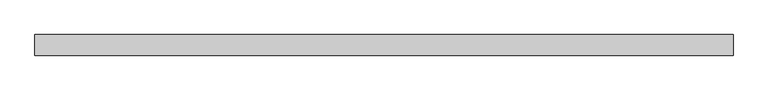
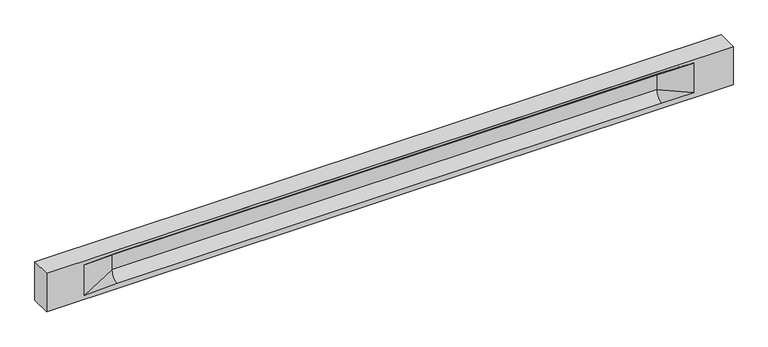
"""IFC4 building model written with IfcOpenShell, lengths in millimetres: beam geometry."""

from ifc_helpers import new_model, si_unit, frame, origin, place, context, project, spatial, polyline, circle_curve, source, transform, mapped, element, save
from ifc_brep_helpers import plane_surface, revolved_surface, spline_surface, advanced_brep


def beam_62c5cb44(model_context):
    return source(origin(), model_context, "Body", "AdvancedBrep", [
        advanced_brep(
        [(8473.0, -250.0, 500.0), (8473.0, -250.0, -500.0), (8473.0, 250.0, -500.0), (8473.0, 250.0, 500.0), (-8473.0, -250.0, 500.0), (-8473.0, -250.0, -500.0), (7498.0, -250.0, -362.0), (6698.0, -250.0, -360.0), (-6743.0, -250.0, -360.0), (-7543.0, -250.0, -400.0), (-7543.0, -250.0, 400.0), (-6743.0, -250.0, 435.0), (6698.0, -250.0, 435.0), (7498.0, -250.0, 400.0), (-8473.0, 250.0, -500.0), (-8473.0, 250.0, 500.0), (7498.0, 250.0, 400.0), (6698.0, 250.0, 435.0), (-6743.0, 250.0, 435.0), (-7543.0, 250.0, 400.0), (-7543.0, 250.0, -400.0), (-6743.0, 250.0, -360.0), (6698.0, 250.0, -360.0), (7498.0, 250.0, -362.0), (6698.0, 155.0, 405.0), (-6743.0, 155.0, 405.0), (6698.0, 60.0, 262.777021), (-6743.0, 60.0, 262.777021), (6698.0, 60.0, -120.0), (-6743.0, 60.0, -120.0), (6698.0, -60.0, -120.0), (-6743.0, -60.0, -120.0), (6698.0, -60.0, 262.777021), (-6743.0, -60.0, 262.777021), (6698.0, -155.0, 405.0), (-6743.0, -155.0, 405.0)],
        [
            (0, 1),
            (1, 2),
            (2, 3),
            (3, 0),
            (0, 4),
            (4, 5),
            (5, 1),
            (6, 7),
            (7, 8),
            (8, 9),
            (9, 10),
            (10, 11),
            (11, 12),
            (12, 13),
            (13, 6),
            (5, 14),
            (14, 2),
            (14, 15),
            (15, 3),
            (16, 17),
            (17, 18),
            (18, 19),
            (19, 20),
            (20, 21),
            (21, 22),
            (22, 23),
            (23, 16),
            (15, 4),
            (17, 24),
            (24, 25),
            (25, 18),
            (24, 26, circle_curve(frame((6698.0, 213.9598725, 262.777021), z_axis=(1.0, 0.0, 0.0), x_axis=(0.0, 1.0, 0.0)), 153.9598725)),
            (26, 27),
            (27, 25, circle_curve(frame((-6743.0, 213.9598725, 262.777021), z_axis=(-1.0, 0.0, 0.0), x_axis=(0.0, 1.0, 0.0)), 153.9598725)),
            (26, 28),
            (28, 29),
            (29, 27),
            (28, 22, circle_curve(frame((6698.0, 306.5789474, -120.0), z_axis=(1.0, 0.0, 0.0), x_axis=(0.0, 1.0, 0.0)), 246.5789474)),
            (21, 29, circle_curve(frame((-6743.0, 306.5789474, -120.0), z_axis=(-1.0, 0.0, 0.0), x_axis=(0.0, 1.0, 0.0)), 246.5789474)),
            (7, 30, circle_curve(frame((6698.0, -306.5789474, -120.0), z_axis=(1.0, 0.0, 0.0), x_axis=(0.0, 1.0, 0.0)), 246.5789474)),
            (30, 31),
            (31, 8, circle_curve(frame((-6743.0, -306.5789474, -120.0), z_axis=(-1.0, 0.0, 0.0), x_axis=(0.0, 1.0, 0.0)), 246.5789474)),
            (30, 32),
            (32, 33),
            (33, 31),
            (32, 34, circle_curve(frame((6698.0, -213.9598725, 262.777021), z_axis=(1.0, 0.0, 0.0), x_axis=(0.0, 1.0, 0.0)), 153.9598725)),
            (34, 35),
            (35, 33, circle_curve(frame((-6743.0, -213.9598725, 262.777021), z_axis=(-1.0, 0.0, 0.0), x_axis=(0.0, 1.0, 0.0)), 153.9598725)),
            (34, 12),
            (11, 35),
            (27, 19),
            (19, 25),
            (10, 35),
            (10, 33),
            (9, 31),
            (20, 29),
            (34, 13),
            (32, 13),
            (30, 6),
            (28, 23),
            (26, 16),
            (24, 16),
        ],
        [
            plane_surface(frame((8473.0, 0.0, 0.0), z_axis=(1.0, 0.0, 0.0), x_axis=(0.0, 0.0, 1.0))),
            plane_surface(frame((8473.0, -250.0, 500.0), z_axis=(0.0, -1.0, 0.0), x_axis=(-1.0, 0.0, 0.0))),
            plane_surface(frame((8473.0, -250.0, -500.0), z_axis=(0.0, 0.0, -1.0), x_axis=(-1.0, 0.0, 0.0))),
            plane_surface(frame((8473.0, 250.0, -500.0), z_axis=(0.0, 1.0, 0.0), x_axis=(-1.0, 0.0, 0.0))),
            plane_surface(frame((8473.0, 250.0, 500.0), z_axis=(0.0, 0.0, 1.0), x_axis=(-1.0, 0.0, 0.0))),
            plane_surface(frame((-6743.0, 250.0, 435.0), z_axis=(0.0, 0.30113136793710954, -0.9535826651341378), x_axis=(1.0, 0.0, 0.0))),
            revolved_surface(polyline([(6698.0, 367.919745, 262.777021), (-6743.0, 367.919745, 262.777021)]), (-6743.0, 213.9598725, 262.777021), (1.0, 0.0, 0.0)),
            plane_surface(frame((-6743.0, 60.0, 262.777021), z_axis=(0.0, 1.0, 0.0), x_axis=(1.0, 0.0, 0.0))),
            revolved_surface(polyline([(6698.0, 553.1578948, -120.0), (-6743.0, 553.1578948, -120.0)]), (-6743.0, 306.5789474, -120.0), (1.0, 0.0, 0.0)),
            revolved_surface(polyline([(6698.0, -60.0, -120.0), (-6743.0, -60.0, -120.0)]), (-6743.0, -306.5789474, -120.0), (1.0, 0.0, 0.0)),
            plane_surface(frame((-6743.0, -60.0, -120.0), z_axis=(0.0, -1.0, 0.0), x_axis=(1.0, 0.0, 0.0))),
            revolved_surface(polyline([(6698.0, -60.0, 262.777021), (-6743.0, -60.0, 262.777021)]), (-6743.0, -213.9598725, 262.777021), (1.0, 0.0, 0.0)),
            plane_surface(frame((-6743.0, -155.0, 405.0), z_axis=(0.0, -0.30113136793710693, -0.9535826651341387), x_axis=(1.0, 0.0, 0.0))),
            spline_surface(2, 1, [[(-7543.0, 250.0, 400.0), (-6743.0, 60.0, 262.777021)], [(-7543.0, 250.0, 400.0), (-6743.0, 59.99999995452379, 365.6168572954922)], [(-7543.0, 250.0, 400.0), (-6743.0, 155.0, 405.0)]], [3, 3], [2, 2], [0.0, 1.0], [0.0, 1.0], weights=[[1.0, 1.0], [0.8315515921160737, 0.8315515921160737], [1.0, 1.0]]),
            plane_surface(frame((-7543.0, 250.0, 400.0), z_axis=(0.041682982855687944, 0.30086965068766386, -0.9527538938442265), x_axis=(0.0, 0.9535826651341378, 0.30113136793710954))),
            plane_surface(frame((-7543.0, -250.0, 400.0), z_axis=(0.041682982855687965, -0.30086965068766125, -0.9527538938442274), x_axis=(0.0, 0.9535826651341387, -0.30113136793710693))),
            spline_surface(2, 1, [[(-7543.0, -250.0, 400.0), (-6743.0, -155.0, 405.0)], [(-7543.0, -250.0, 400.0), (-6743.0, -60.00000008030692, 365.6168572114734)], [(-7543.0, -250.0, 400.0), (-6743.0, -60.0, 262.777021)]], [3, 3], [2, 2], [0.0, 1.0], [0.0, 1.0], weights=[[1.0, 1.0], [0.8315515924557569, 0.8315515924557569], [1.0, 1.0]]),
            plane_surface(frame((-7543.0, -250.0, 0.0), z_axis=(0.23107243079590054, -0.9729365507195594, 0.0), x_axis=(0.0, 0.0, -1.0))),
            spline_surface(2, 1, [[(-7543.0, -250.0, -400.0), (-6743.0, -60.0, -120.0)], [(-7543.0, -250.0, -400.0), (-6743.0, -59.99999998020837, -315.20833333333337)], [(-7543.0, -250.0, -400.0), (-6743.0, -250.0, -360.0)]], [3, 3], [2, 2], [0.0, 1.0], [0.0, 1.0], weights=[[1.0, 1.0], [0.7840458244617614, 0.7840458244617614], [1.0, 1.0]]),
            spline_surface(2, 1, [[(-7543.0, 250.0, -400.0), (-6743.0, 250.0, -360.0)], [(-7543.0, 250.0, -400.0), (-6743.0, 60.00000002887427, -315.20833329480604)], [(-7543.0, 250.0, -400.0), (-6743.0, 60.0, -120.0)]], [3, 3], [2, 2], [0.0, 1.0], [0.0, 1.0], weights=[[1.0, 1.0], [0.7840458245391329, 0.7840458245391329], [1.0, 1.0]]),
            plane_surface(frame((-7543.0, 250.0, 0.0), z_axis=(0.23107243079589623, 0.9729365507195604, 0.0), x_axis=(0.0, 0.0, 1.0))),
            plane_surface(frame((-8473.0, 0.0, 0.0), z_axis=(-1.0, 0.0, 0.0), x_axis=(0.0, 0.0, 1.0))),
            plane_surface(frame((6698.0, -202.5, 420.0), z_axis=(-0.04168298285568746, -0.30086965068766125, -0.9527538938442274), x_axis=(0.0, 0.9535826651341387, -0.30113136793710693))),
            spline_surface(2, 1, [[(6698.0, -155.0, 405.0), (7498.0, -250.0, 400.0)], [(6698.0, -60.00000008030692, 365.6168572114734), (7498.0, -250.0, 400.0)], [(6698.0, -60.0, 262.777021), (7498.0, -250.0, 400.0)]], [3, 3], [2, 2], [0.0, 1.0], [0.0, 1.0], weights=[[1.0, 1.0], [0.8315515924557569, 0.8315515924557569], [1.0, 1.0]]),
            plane_surface(frame((6698.0, -60.0, 71.3885105), z_axis=(-0.23107243079589737, -0.9729365507195602, 0.0), x_axis=(0.0, 0.0, -1.0))),
            spline_surface(2, 1, [[(6698.0, -60.0, -120.0), (7498.0, -250.0, -362.0)], [(6698.0, -59.99999998020837, -315.20833333333337), (7498.0, -250.0, -362.0)], [(6698.0, -250.0, -360.0), (7498.0, -250.0, -362.0)]], [3, 3], [2, 2], [0.0, 1.0], [0.0, 1.0], weights=[[1.0, 1.0], [0.7840458244617614, 0.7840458244617614], [1.0, 1.0]]),
            spline_surface(2, 1, [[(6698.0, 250.0, -360.0), (7498.0, 250.0, -362.0)], [(6698.0, 60.00000002887427, -315.20833329480604), (7498.0, 250.0, -362.0)], [(6698.0, 60.0, -120.0), (7498.0, 250.0, -362.0)]], [3, 3], [2, 2], [0.0, 1.0], [0.0, 1.0], weights=[[1.0, 1.0], [0.7840458245391329, 0.7840458245391329], [1.0, 1.0]]),
            plane_surface(frame((6698.0, 60.0, 71.3885105), z_axis=(-0.23107243079589093, 0.9729365507195618, 0.0), x_axis=(0.0, 0.0, 1.0))),
            spline_surface(2, 1, [[(6698.0, 60.0, 262.777021), (7498.0, 250.0, 400.0)], [(6698.0, 59.99999995452379, 365.6168572954922), (7498.0, 250.0, 400.0)], [(6698.0, 155.0, 405.0), (7498.0, 250.0, 400.0)]], [3, 3], [2, 2], [0.0, 1.0], [0.0, 1.0], weights=[[1.0, 1.0], [0.8315515921160737, 0.8315515921160737], [1.0, 1.0]]),
            plane_surface(frame((6698.0, 202.5, 420.0), z_axis=(-0.04168298285568672, 0.30086965068766386, -0.9527538938442265), x_axis=(0.0, 0.9535826651341378, 0.30113136793710954))),
        ],
        [
            (0, [[1, 2, 3, 4]]),
            (1, [[-1, 5, 6, 7], [8, 9, 10, 11, 12, 13, 14, 15]]),
            (2, [[-2, -7, 16, 17]]),
            (3, [[-3, -17, 18, 19], [20, 21, 22, 23, 24, 25, 26, 27]]),
            (4, [[-5, -4, -19, 28]]),
            (5, [[-21, 29, 30, 31]]),
            (6, [[-30, 32, 33, 34]]),
            (7, [[-33, 35, 36, 37]]),
            (8, [[-36, 38, -25, 39]]),
            (9, [[-9, 40, 41, 42]]),
            (10, [[-41, 43, 44, 45]]),
            (11, [[-44, 46, 47, 48]]),
            (12, [[-47, 49, -13, 50]]),
            (13, [[51, 52, -34]]),
            (14, [[-52, -22, -31]]),
            (15, [[-12, 53, -50]]),
            (16, [[-53, 54, -48]]),
            (17, [[-54, -11, 55, -45]]),
            (18, [[-55, -10, -42]]),
            (19, [[-24, 56, -39]]),
            (20, [[-51, -37, -56, -23]]),
            (21, [[-28, -18, -16, -6]]),
            (22, [[-14, -49, 57]]),
            (23, [[-57, -46, 58]]),
            (24, [[-58, -43, 59, -15]]),
            (25, [[-59, -40, -8]]),
            (26, [[-26, -38, 60]]),
            (27, [[-60, -35, 61, -27]]),
            (28, [[-61, -32, 62]]),
            (29, [[-62, -29, -20]]),
        ],
    ),
    ])


if __name__ == "__main__":
    model = new_model("IFC4")
    model_context = context("Model", 3, world=origin())
    ifc_project = project(units=[si_unit("LENGTHUNIT", "METRE", prefix="MILLI")], contexts=[model_context])
    site = spatial("IfcSite", under=ifc_project)
    building = spatial("IfcBuilding", under=site)
    placement = place(None, origin())
    beam_shape = beam_62c5cb44(model_context)
    element("IfcBeam", 1, at=placement, inside=building, context=model_context, shape_type="MappedRepresentation", body=[
        mapped(beam_shape, transform((0.0, 0.0, 0.0), x_axis=(1.0, 0.0, 0.0), y_axis=(0.0, 1.0, 0.0), z_axis=(0.0, 0.0, 1.0))),
    ])
    save(model, "model.ifc")
